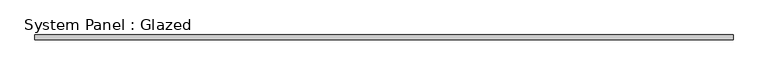
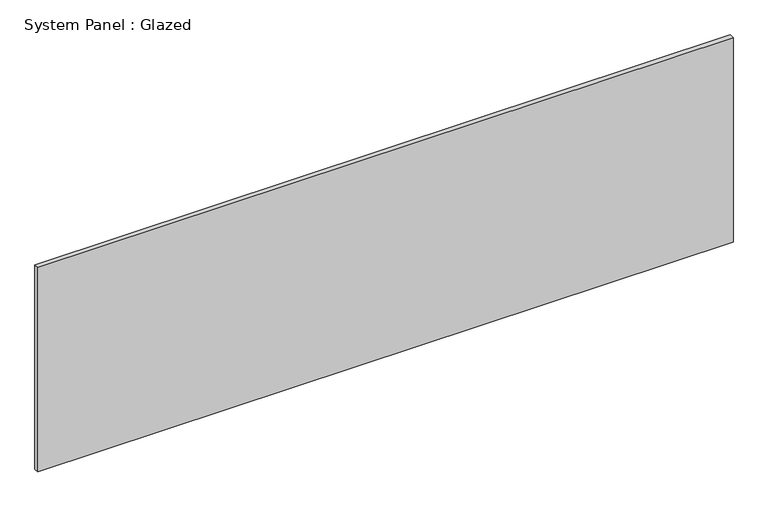
"""IFC4 building model written with IfcOpenShell, lengths in millimetres: plate geometry, System Panel : Glazed."""

from ifc_helpers import new_model, si_unit, origin, origin_with_axes, place, context, project, spatial, polyline, outline, extrude, source, transform, mapped, element, save


def system_panel_glazed_1642b829(model_context):
    return source(origin(), model_context, "Body", "SweptSolid", [
        extrude(outline(polyline([(1808.0114903, 19.05), (-1808.0114903, 19.05), (-1808.0114903, 44.45), (1808.0114903, 44.45), (1808.0114903, 19.05)])), origin_with_axes(), (0.0, 0.0, 1.0), 1123.95),
    ])


if __name__ == "__main__":
    model = new_model("IFC4")
    model_context = context("Model", 3, world=origin())
    ifc_project = project(units=[si_unit("LENGTHUNIT", "METRE", prefix="MILLI")], contexts=[model_context])
    site = spatial("IfcSite", under=ifc_project)
    building = spatial("IfcBuilding", under=site)
    placement = place(None, origin())
    system_panel_glazed_shape = system_panel_glazed_1642b829(model_context)
    element("IfcPlate", 1, ObjectType="System Panel : Glazed", at=placement, inside=building, context=model_context, shape_type="MappedRepresentation", body=[
        mapped(system_panel_glazed_shape, transform((0.0, 0.0, 0.0), x_axis=(1.0, 0.0, 0.0), y_axis=(0.0, 1.0, 0.0), z_axis=(0.0, 0.0, 1.0))),
    ])
    save(model, "model.ifc")
